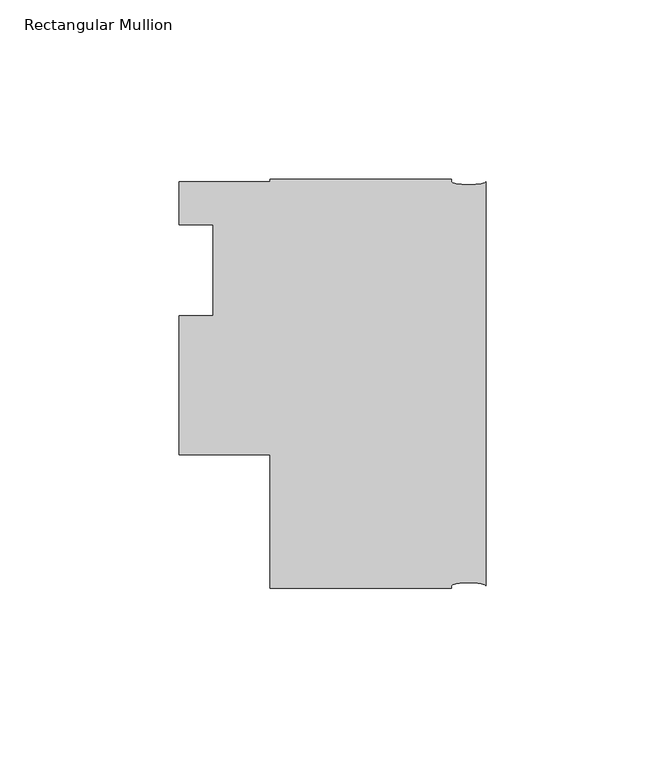
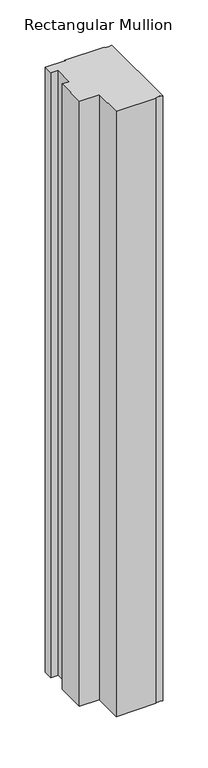
"""IFC4 building model written with IfcOpenShell, lengths in millimetres: member geometry, Rectangular Mullion."""

from ifc_helpers import new_model, si_unit, point, frame, origin, place, context, project, spatial, ellipse_curve, trimmed, source, transform, mapped, element, save
from ifc_brep_helpers import plane_surface, extruded_surface, advanced_brep


def rectangular_mullion_492598b2(model_context):
    return source(origin(), model_context, "Body", "AdvancedBrep", [
        advanced_brep(
        [(-60.325, -101.6, 0.0), (-9.525, -101.6, 0.0), (-9.525, -100.80625, 0.0), (0.0, -100.80625, 0.0), (0.0, 11.90625, 0.0), (-9.525, 11.90625, 0.0), (-9.525, 12.7, 0.0), (-60.325, 12.7, 0.0), (-60.325, 11.90625, 0.0), (-85.725, 11.90625, 0.0), (-85.725, 0.0, 0.0), (-76.2, 0.0, 0.0), (-76.2, -25.4, 0.0), (-85.725, -25.4, 0.0), (-85.725, -64.29375, 0.0), (-60.325, -64.29375, 0.0), (-60.325, -101.6, -822.325), (-60.325, -64.29375, -822.325), (-85.725, -64.29375, -822.325), (-85.725, -25.4, -822.325), (-76.2, -25.4, -822.325), (-76.2, 0.0, -822.325), (-85.725, 0.0, -822.325), (-85.725, 11.90625, -822.325), (-60.325, 11.90625, -822.325), (-60.325, 12.7, -822.325), (-9.525, 12.7, -822.325), (-9.525, 11.90625, -822.325), (0.0, 11.90625, -822.325), (0.0, -100.80625, -822.325), (-9.525, -100.80625, -822.325), (-9.525, -101.6, -822.325)],
        [
            (0, 1),
            (1, 2),
            (2, 3, ellipse_curve(frame((-4.7625, -100.80625, 0.0), z_axis=(0.0, 0.0, -1.0), x_axis=(-1.0, 0.0, 0.0)), 4.7625, 0.79375)),
            (3, 4),
            (4, 5, ellipse_curve(frame((-4.7625, 11.90625, 0.0), z_axis=(0.0, 0.0, -1.0), x_axis=(-1.0, 0.0, 0.0)), 4.7625, 0.79375)),
            (5, 6),
            (6, 7),
            (7, 8),
            (8, 9),
            (9, 10),
            (10, 11),
            (11, 12),
            (12, 13),
            (13, 14),
            (14, 15),
            (15, 0),
            (16, 17),
            (17, 18),
            (18, 19),
            (19, 20),
            (20, 21),
            (21, 22),
            (22, 23),
            (23, 24),
            (24, 25),
            (25, 26),
            (26, 27),
            (27, 28, ellipse_curve(frame((-4.7625, 11.90625, -822.325), z_axis=(0.0, 0.0, 1.0), x_axis=(-1.0, 0.0, 0.0)), 4.7625, 0.79375)),
            (28, 29),
            (29, 30, ellipse_curve(frame((-4.7625, -100.80625, -822.325), z_axis=(0.0, 0.0, 1.0), x_axis=(-1.0, 0.0, 0.0)), 4.7625, 0.79375)),
            (30, 31),
            (31, 16),
            (0, 16),
            (31, 1),
            (30, 2),
            (29, 3),
            (28, 4),
            (27, 5),
            (26, 6),
            (25, 7),
            (24, 8),
            (23, 9),
            (22, 10),
            (21, 11),
            (20, 12),
            (19, 13),
            (18, 14),
            (17, 15),
        ],
        [
            plane_surface(frame((0.0, -118.1594923, 0.0), z_axis=(0.0, 0.0, 1.0), x_axis=(-1.0, 0.0, 0.0))),
            plane_surface(frame((0.0, -118.1594923, -822.325), z_axis=(0.0, 0.0, -1.0), x_axis=(-1.0, 0.0, 0.0))),
            plane_surface(frame((-60.325, -101.6, 0.0), z_axis=(0.0, -1.0, 0.0), x_axis=(0.0, 0.0, -1.0))),
            plane_surface(frame((-9.525, -101.6, 0.0), z_axis=(1.0, 0.0, 0.0), x_axis=(0.0, 0.0, -1.0))),
            extruded_surface(trimmed(ellipse_curve(frame((-4.7625, -100.80625, -822.325), z_axis=(0.0, 0.0, -1.0), x_axis=(-1.0, 0.0, 0.0)), 4.7625, 0.79375), [point((-9.525, -100.80625, -822.325))], [point((0.0, -100.80625, -822.325))], True, "CARTESIAN"), (0.0, 0.0, 822.325), 822.325),
            plane_surface(frame((0.0, -100.80625, 0.0), z_axis=(1.0, 0.0, 0.0), x_axis=(0.0, 0.0, -1.0))),
            extruded_surface(trimmed(ellipse_curve(frame((-4.7625, 11.90625, -822.325), z_axis=(0.0, 0.0, -1.0), x_axis=(-1.0, 0.0, 0.0)), 4.7625, 0.79375), [point((0.0, 11.90625, -822.325))], [point((-9.525, 11.90625, -822.325))], True, "CARTESIAN"), (0.0, 0.0, 822.325), 822.325),
            plane_surface(frame((-9.525, 11.90625, 0.0), z_axis=(1.0, 0.0, 0.0), x_axis=(0.0, 0.0, -1.0))),
            plane_surface(frame((-9.525, 12.7, 0.0), z_axis=(0.0, 1.0, 0.0), x_axis=(0.0, 0.0, -1.0))),
            plane_surface(frame((-60.325, 12.7, 0.0), z_axis=(-1.0, 0.0, 0.0), x_axis=(0.0, 0.0, -1.0))),
            plane_surface(frame((-60.325, 11.90625, 0.0), z_axis=(0.0, 1.0, 0.0), x_axis=(0.0, 0.0, -1.0))),
            plane_surface(frame((-85.725, 11.90625, 0.0), z_axis=(-1.0, 0.0, 0.0), x_axis=(0.0, 0.0, -1.0))),
            plane_surface(frame((-85.725, 0.0, 0.0), z_axis=(0.0, -1.0, 0.0), x_axis=(0.0, 0.0, -1.0))),
            plane_surface(frame((-76.2, 0.0, 0.0), z_axis=(-1.0, 0.0, 0.0), x_axis=(0.0, 0.0, -1.0))),
            plane_surface(frame((-76.2, -25.4, 0.0), z_axis=(0.0, 1.0, 0.0), x_axis=(0.0, 0.0, -1.0))),
            plane_surface(frame((-85.725, -25.4, 0.0), z_axis=(-1.0, 0.0, 0.0), x_axis=(0.0, 0.0, -1.0))),
            plane_surface(frame((-85.725, -64.29375, 0.0), z_axis=(0.0, -1.0, 0.0), x_axis=(0.0, 0.0, -1.0))),
            plane_surface(frame((-60.325, -64.29375, 0.0), z_axis=(-1.0, 0.0, 0.0), x_axis=(0.0, 0.0, -1.0))),
        ],
        [
            (0, [[1, 2, 3, 4, 5, 6, 7, 8, 9, 10, 11, 12, 13, 14, 15, 16]]),
            (1, [[17, 18, 19, 20, 21, 22, 23, 24, 25, 26, 27, 28, 29, 30, 31, 32]]),
            (2, [[-1, 33, -32, 34]]),
            (3, [[-2, -34, -31, 35]]),
            (4, [[-3, -35, -30, 36]]),
            (5, [[-4, -36, -29, 37]]),
            (6, [[-5, -37, -28, 38]]),
            (7, [[-6, -38, -27, 39]]),
            (8, [[-7, -39, -26, 40]]),
            (9, [[-8, -40, -25, 41]]),
            (10, [[-9, -41, -24, 42]]),
            (11, [[-10, -42, -23, 43]]),
            (12, [[-11, -43, -22, 44]]),
            (13, [[-12, -44, -21, 45]]),
            (14, [[-13, -45, -20, 46]]),
            (15, [[-14, -46, -19, 47]]),
            (16, [[-15, -47, -18, 48]]),
            (17, [[-16, -48, -17, -33]]),
        ],
    ),
    ])


if __name__ == "__main__":
    model = new_model("IFC4")
    model_context = context("Model", 3, world=origin())
    ifc_project = project(units=[si_unit("LENGTHUNIT", "METRE", prefix="MILLI")], contexts=[model_context])
    site = spatial("IfcSite", under=ifc_project)
    building = spatial("IfcBuilding", under=site)
    placement = place(None, origin())
    rectangular_mullion_shape = rectangular_mullion_492598b2(model_context)
    element("IfcMember", 1, ObjectType="Rectangular Mullion", at=placement, inside=building, context=model_context, shape_type="MappedRepresentation", body=[
        mapped(rectangular_mullion_shape, transform((0.0, 0.0, 0.0), x_axis=(1.0, 0.0, 0.0), y_axis=(0.0, 1.0, 0.0), z_axis=(0.0, 0.0, 1.0))),
    ])
    save(model, "model.ifc")
